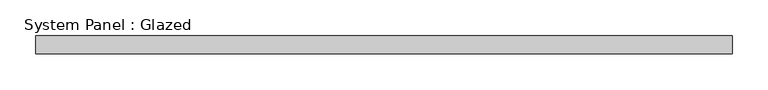
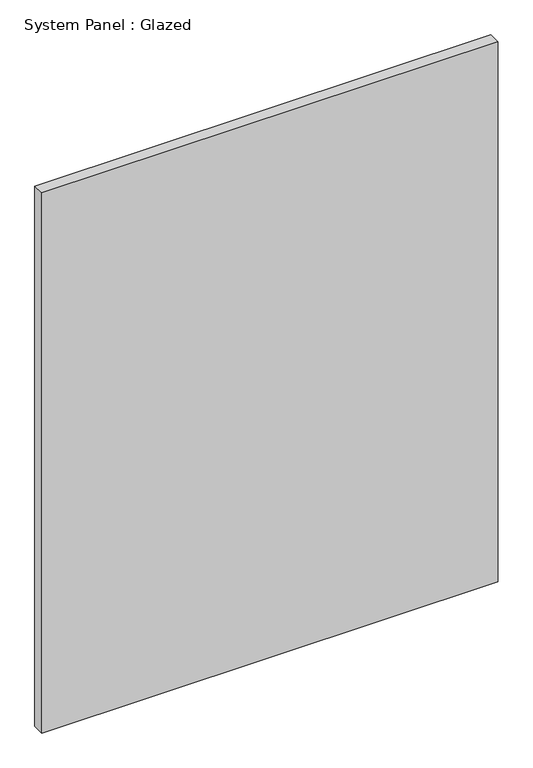
"""IFC4 building model written with IfcOpenShell, lengths in millimetres: plate geometry, System Panel : Glazed."""

from ifc_helpers import new_model, si_unit, origin, origin_with_axes, place, context, project, spatial, polyline, outline, extrude, source, transform, mapped, element, save


def system_panel_glazed_f71ae7e5(model_context):
    return source(origin(), model_context, "Body", "SweptSolid", [
        extrude(outline(polyline([(487.1405982, -44.45), (-487.1405982, -44.45), (-487.1405982, -19.05), (487.1405982, -19.05), (487.1405982, -44.45)])), origin_with_axes(), (0.0, 0.0, 1.0), 1219.2),
    ])


if __name__ == "__main__":
    model = new_model("IFC4")
    model_context = context("Model", 3, world=origin())
    ifc_project = project(units=[si_unit("LENGTHUNIT", "METRE", prefix="MILLI")], contexts=[model_context])
    site = spatial("IfcSite", under=ifc_project)
    building = spatial("IfcBuilding", under=site)
    placement = place(None, origin())
    system_panel_glazed_shape = system_panel_glazed_f71ae7e5(model_context)
    element("IfcPlate", 1, ObjectType="System Panel : Glazed", at=placement, inside=building, context=model_context, shape_type="MappedRepresentation", body=[
        mapped(system_panel_glazed_shape, transform((0.0, 0.0, 0.0), x_axis=(1.0, 0.0, 0.0), y_axis=(0.0, 1.0, 0.0), z_axis=(0.0, 0.0, 1.0))),
    ])
    save(model, "model.ifc")
